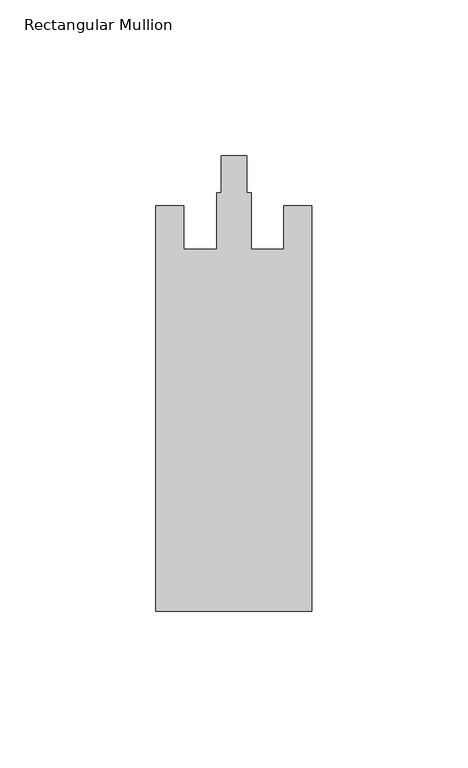
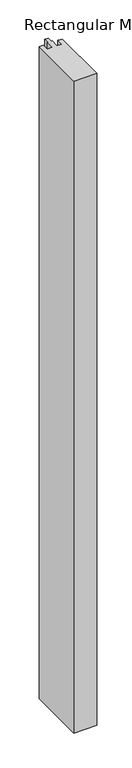
"""IFC4 building model written with IfcOpenShell, lengths in millimetres: member geometry, Rectangular Mullion."""

from ifc_helpers import new_model, si_unit, frame, origin, place, context, project, spatial, polyline, outline, extrude, source, transform, mapped, element, save


def rectangular_mullion_5795c0cc(model_context):
    return source(origin(), model_context, "Body", "SweptSolid", [
        extrude(outline(polyline([(0.0, -153.0), (-50.0, -153.0), (-50.0, -23.0), (-41.0, -23.0), (-41.0, -37.0), (-30.5, -37.0), (-30.5, -18.8), (-29.1, -18.8), (-29.1, -7.0), (-20.9, -7.0), (-20.9, -18.8), (-19.5, -18.8), (-19.5, -37.0), (-9.0, -37.0), (-9.0, -23.0), (0.0, -23.0), (0.0, -153.0)])), frame((0.0, 0.0, -1500.0), z_axis=(0.0, 0.0, 1.0), x_axis=(1.0, 0.0, 0.0)), (0.0, 0.0, 1.0), 1500.0),
    ])


if __name__ == "__main__":
    model = new_model("IFC4")
    model_context = context("Model", 3, world=origin())
    ifc_project = project(units=[si_unit("LENGTHUNIT", "METRE", prefix="MILLI")], contexts=[model_context])
    site = spatial("IfcSite", under=ifc_project)
    building = spatial("IfcBuilding", under=site)
    placement = place(None, origin())
    rectangular_mullion_shape = rectangular_mullion_5795c0cc(model_context)
    element("IfcMember", 1, ObjectType="Rectangular Mullion", at=placement, inside=building, context=model_context, shape_type="MappedRepresentation", body=[
        mapped(rectangular_mullion_shape, transform((0.0, 0.0, 0.0), x_axis=(1.0, 0.0, 0.0), y_axis=(0.0, 1.0, 0.0), z_axis=(0.0, 0.0, 1.0))),
    ])
    save(model, "model.ifc")
